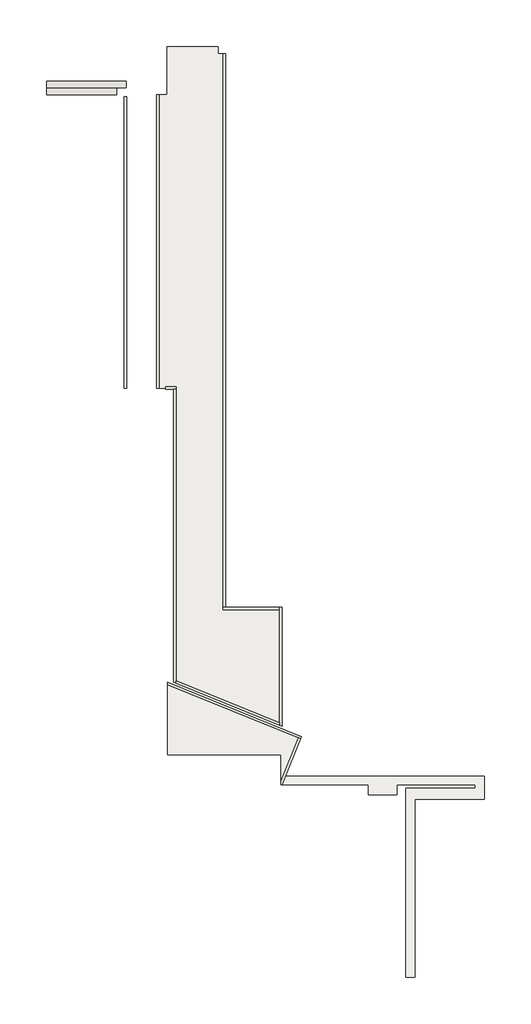
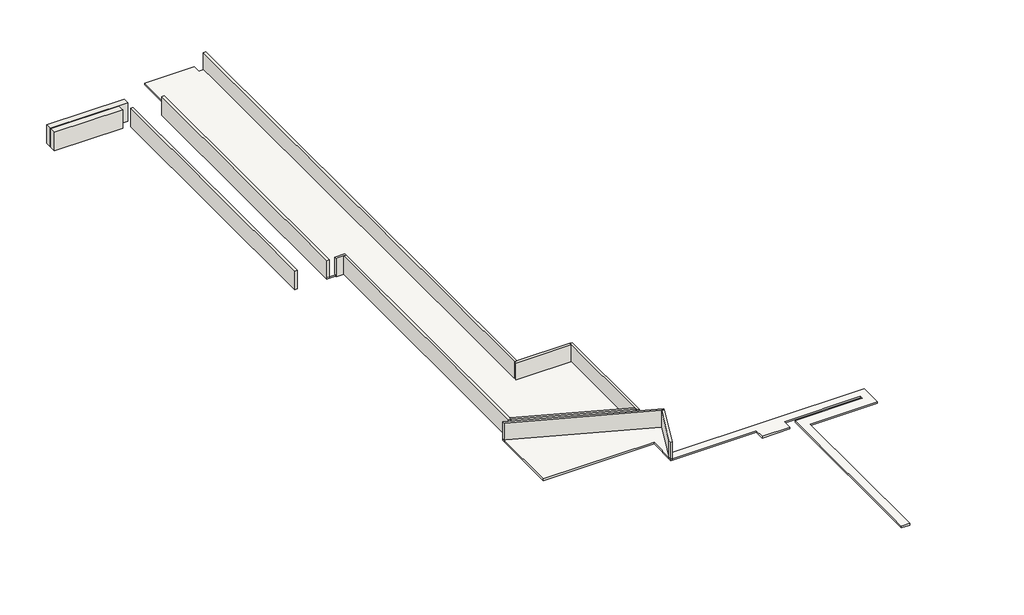
# One storey: 14 walls, 3 coverings.
"""IFC4 building model written with IfcOpenShell, lengths in millimetres."""

from ifc_helpers import new_model, si_unit, frame, origin, place, context, project, spatial, polyline, outline, extrude, faceted_brep, element, save

model = new_model("IFC4")

# Units and contexts
model_context = context("Model", 3, world=origin())
ifc_project = project(units=[si_unit("LENGTHUNIT", "METRE", prefix="MILLI")], contexts=[model_context])

# Site, building, storey
site = spatial("IfcSite", under=ifc_project)
building = spatial("IfcBuilding", under=site)
storey = spatial("IfcBuildingStorey", under=building, Elevation=2300.0)

# Coverings
placement = place(None, origin())
element("IfcCovering", 1, ObjectType="Plain", at=placement, inside=storey, context=model_context, shape_type="SweptSolid", body=[
    extrude(outline(polyline([(-20670.9416288, -6371.0489058), (-20670.9416288, 3153.7992246), (-20370.9416288, 3153.7992246), (-20370.9416288, 4713.7992246), (-18720.9416288, 4713.7992246), (-18720.9416288, 4471.9510942), (-18520.9416288, 4471.9510942), (-18520.9416288, -13520.0440845), (-16679.1800051, -13520.0440845), (-16679.1800051, -17280.0440845), (-20129.1800051, -15886.1536053), (-20129.1800051, -6371.0489058), (-20670.9416288, -6371.0489058)])), frame((0.0, 0.0, 2300.0), z_axis=(0.0, 0.0, 1.0), x_axis=(1.0, 0.0, 0.0)), (0.0, 0.0, 1.0), 57.0),
])
element("IfcCovering", 2, ObjectType="Plain", at=placement, inside=storey, context=model_context, shape_type="SweptSolid", body=[
    extrude(outline(polyline([(-16059.5946837, -17697.0755768), (-16681.4416288, -19236.2007754), (-16681.4416288, -18268.7007754), (-20364.0106474, -18268.7007754), (-20364.0106474, -15957.9786405), (-16059.5946837, -17697.0755768)])), frame((0.0, 0.0, 2300.0), z_axis=(0.0, 0.0, 1.0), x_axis=(1.0, 0.0, 0.0)), (0.0, 0.0, 1.0), 57.0),
])
element("IfcCovering", 3, ObjectType="Plain", at=placement, inside=storey, context=model_context, shape_type="SweptSolid", body=[
    extrude(outline(polyline([(-10079.3000346, -18967.9362009), (-10079.3000346, -19717.9362009), (-12329.3400444, -19717.9362009), (-12329.3400444, -25493.2007754), (-12614.1706866, -25493.2007754), (-12614.1706866, -19360.2007754), (-10371.0616582, -19360.2007754), (-10371.0616582, -19241.0489058), (-12908.1706866, -19241.0489058), (-12908.1706866, -19567.9362009), (-13834.101668, -19567.9362009), (-13834.101668, -19236.2007754), (-16681.4416288, -19236.2007754), (-16557.9721374, -18967.9362009), (-10079.3000346, -18967.9362009)])), frame((0.0, 0.0, 2300.0), z_axis=(0.0, 0.0, 1.0), x_axis=(1.0, 0.0, 0.0)), (0.0, 0.0, 1.0), 57.0),
])

# Walls
element("IfcWall", 4, ObjectType="Interior - 79mm Partition (1-hr)", at=placement, inside=storey, context=model_context, shape_type="Brep", body=[
    faceted_brep([(-21694.5106474, -6371.0489058, 2300.0), (-21694.5106474, 3086.9510942, 2300.0), (-21694.5106474, 3086.9510942, 2950.0), (-21694.5106474, -6371.0489058, 2950.0), (-21773.5106474, -6371.0489058, 2300.0), (-21773.5106474, -6371.0489058, 2950.0), (-21773.5106474, 3086.9510942, 2950.0), (-21773.5106474, 3086.9510942, 2300.0), (-21734.0106474, 3086.9510942, 2950.0)], [[[0, 1, 2, 3]], [[4, 5, 6, 7]], [[1, 0, 4, 7]], [[2, 1, 7, 6, 8]], [[3, 2, 8, 6, 5]], [[0, 3, 5, 4]]]),
])
element("IfcWall", 5, ObjectType="Interior - 79mm Partition (1-hr)", at=placement, inside=storey, context=model_context, shape_type="Brep", body=[
    faceted_brep([(-16639.6800051, -17338.6052427, 2300.0), (-16639.6800051, -13480.5440845, 2300.0), (-16639.6800051, -13480.5440845, 2950.0), (-16639.6800051, -17338.6052427, 2950.0), (-16718.6800051, -17306.6871709, 2300.0), (-16718.6800051, -17306.6871709, 2950.0), (-16718.6800051, -17221.4829262, 2950.0), (-16718.6800051, -13559.5440845, 2950.0), (-16718.6800051, -13480.5440845, 2950.0), (-16718.6800051, -13480.5440845, 2300.0), (-16718.6800051, -13559.5440845, 2300.0), (-16718.6800051, -17221.4829262, 2300.0)], [[[0, 1, 2, 3]], [[4, 5, 6, 7, 8, 9, 10, 11]], [[1, 0, 4, 11, 10, 9]], [[3, 2, 8, 7, 6, 5]], [[2, 1, 9, 8]], [[0, 3, 5, 4]]]),
])
element("IfcWall", 6, ObjectType="Interior - 79mm Partition (1-hr)", at=placement, inside=storey, context=model_context, shape_type="Brep", body=[
    faceted_brep([(-16718.6800051, -13480.5440845, 2300.0), (-18481.4416288, -13480.5440845, 2300.0), (-18560.4416288, -13480.5440845, 2300.0), (-18560.4416288, -13480.5440845, 2950.0), (-18481.4416288, -13480.5440845, 2950.0), (-16718.6800051, -13480.5440845, 2950.0), (-16718.6800051, -13559.5440845, 2300.0), (-16718.6800051, -13559.5440845, 2950.0), (-18560.4416288, -13559.5440845, 2950.0), (-18560.4416288, -13559.5440845, 2300.0)], [[[0, 1, 2, 3, 4, 5]], [[6, 7, 8, 9]], [[2, 1, 0, 6, 9]], [[5, 4, 3, 8, 7]], [[0, 5, 7, 6]], [[3, 2, 9, 8]]]),
])
element("IfcWall", 7, ObjectType="Interior - 79mm Partition (1-hr)", at=placement, inside=storey, context=model_context, shape_type="Brep", body=[
    faceted_brep([(-18481.4416288, -13480.5440845, 2300.0), (-18481.4416288, 4471.9510942, 2300.0), (-18481.4416288, 4471.9510942, 2950.0), (-18481.4416288, -13480.5440845, 2950.0), (-18560.4416288, -13480.5440845, 2300.0), (-18560.4416288, -13480.5440845, 2950.0), (-18560.4416288, 4471.9510942, 2950.0), (-18560.4416288, 4471.9510942, 2300.0), (-18520.9416288, 4471.9510942, 2950.0)], [[[0, 1, 2, 3]], [[4, 5, 6, 7]], [[1, 0, 4, 7]], [[2, 1, 7, 6, 8]], [[3, 2, 8, 6, 5]], [[0, 3, 5, 4]]]),
])
element("IfcWall", 8, ObjectType="Interior - 79mm Partition (1-hr)", at=placement, inside=storey, context=model_context, shape_type="Brep", body=[
    faceted_brep([(-20710.4416288, 3153.7992246, 2300.0), (-20710.4416288, -6371.0489058, 2300.0), (-20710.4416288, -6371.0489058, 2950.0), (-20710.4416288, 3153.7992246, 2950.0), (-20631.4416288, 3153.7992246, 2300.0), (-20631.4416288, 3153.7992246, 2950.0), (-20631.4416288, -6371.0489058, 2950.0), (-20631.4416288, -6371.0489058, 2300.0), (-20670.9416288, 3153.7992246, 2950.0)], [[[0, 1, 2, 3]], [[4, 5, 6, 7]], [[1, 0, 4, 7]], [[3, 2, 6, 5, 8]], [[0, 3, 8, 5, 4]], [[2, 1, 7, 6]]]),
])
element("IfcWall", 9, ObjectType="Interior - 79mm Partition (1-hr)", at=placement, inside=storey, context=model_context, shape_type="Brep", body=[
    faceted_brep([(-20426.0106474, -6410.5489058, 2300.0), (-20364.0106474, -6410.5489058, 2300.0), (-20168.6800051, -6410.5489058, 2300.0), (-20089.6800051, -6410.5489058, 2300.0), (-20089.6800051, -6410.5489058, 2950.0), (-20168.6800051, -6410.5489058, 2950.0), (-20364.0106474, -6410.5489058, 2950.0), (-20426.0106474, -6410.5489058, 2950.0), (-20426.0106474, -6331.5489058, 2300.0), (-20426.0106474, -6331.5489058, 2950.0), (-20089.6800051, -6331.5489058, 2950.0), (-20089.6800051, -6331.5489058, 2300.0), (-20426.0106474, -6371.0489058, 2300.0), (-20426.0106474, -6371.0489058, 2950.0)], [[[0, 1, 2, 3, 4, 5, 6, 7]], [[8, 9, 10, 11]], [[3, 2, 1, 0, 12, 8, 11]], [[7, 6, 5, 4, 10, 9, 13]], [[0, 7, 13, 9, 8, 12]], [[4, 3, 11, 10]]]),
])
element("IfcWall", 10, ObjectType="Interior - 79mm Partition (1-hr)", at=placement, inside=storey, context=model_context, shape_type="Brep", body=[
    faceted_brep([(-20168.6800051, -6410.5489058, 2300.0), (-20168.6800051, -15912.7966917, 2300.0), (-20168.6800051, -15912.7966917, 2950.0), (-20168.6800051, -6410.5489058, 2950.0), (-20089.6800051, -6410.5489058, 2300.0), (-20089.6800051, -6410.5489058, 2950.0), (-20089.6800051, -15859.5105189, 2950.0), (-20089.6800051, -15944.7147636, 2950.0), (-20089.6800051, -15944.7147636, 2300.0), (-20089.6800051, -15859.5105189, 2300.0)], [[[0, 1, 2, 3]], [[4, 5, 6, 7, 8, 9]], [[1, 0, 4, 9, 8]], [[3, 2, 7, 6, 5]], [[0, 3, 5, 4]], [[2, 1, 8, 7]]]),
])
element("IfcWall", 11, ObjectType="Interior - 79mm Partition (1-hr)", at=placement, inside=storey, context=model_context, shape_type="SweptSolid", body=[
    extrude(outline(polyline([(-16718.6800051, -17306.6871709), (-20089.6800051, -15944.7147636), (-20089.6800051, -15859.5105189), (-16718.6800051, -17221.4829262), (-16718.6800051, -17306.6871709)])), frame((0.0, 0.0, 2300.0), z_axis=(0.0, 0.0, 1.0), x_axis=(1.0, 0.0, 0.0)), (0.0, 0.0, 1.0), 650.0),
])
element("IfcWall", 12, ObjectType="Interior - 79mm Partition (1-hr)", at=placement, inside=storey, context=model_context, shape_type="Brep", body=[
    faceted_brep([(-20364.0106474, -16000.5807629, 2300.0), (-16111.0154064, -17718.9023786, 2300.0), (-16037.7678819, -17748.4962995, 2300.0), (-16037.7678819, -17748.4962995, 2950.0), (-16111.0154064, -17718.9023786, 2950.0), (-20364.0106474, -16000.5807629, 2950.0), (-20364.0106474, -15915.3765182, 2300.0), (-20364.0106474, -15915.3765182, 2950.0), (-16008.173961, -17675.248775, 2950.0), (-16008.173961, -17675.248775, 2300.0)], [[[0, 1, 2, 3, 4, 5]], [[6, 7, 8, 9]], [[2, 1, 0, 6, 9]], [[5, 4, 3, 8, 7]], [[0, 5, 7, 6]], [[3, 2, 9, 8]]]),
])
element("IfcWall", 13, ObjectType="Interior - 79mm Partition (1-hr)", at=placement, inside=storey, context=model_context, shape_type="SweptSolid", body=[
    extrude(outline(polyline([(-16681.4416288, -19130.7568224), (-16111.0154064, -17718.9023786), (-16037.7678819, -17748.4962995), (-16638.8395064, -19236.2007754), (-16681.4416288, -19236.2007754), (-16681.4416288, -19130.7568224)])), frame((0.0, 0.0, 2300.0), z_axis=(0.0, 0.0, 1.0), x_axis=(1.0, 0.0, 0.0)), (0.0, 0.0, 1.0), 650.0),
])
element("IfcWall", 14, ObjectType="Interior - Blockwork 190", at=placement, inside=storey, context=model_context, shape_type="Brep", body=[
    faceted_brep([(-24291.4416288, 3149.7992246, 2300.0), (-22018.0106474, 3149.7992246, 2300.0), (-22018.0106474, 3149.7992246, 2950.0), (-24291.4416288, 3149.7992246, 2950.0), (-24291.4416288, 3363.7992246, 2300.0), (-24291.4416288, 3363.7992246, 2950.0), (-22018.0106474, 3363.7992246, 2950.0), (-22018.0106474, 3363.7992246, 2300.0), (-22018.0106474, 3356.7992246, 2950.0), (-22018.0106474, 3156.7992246, 2950.0)], [[[0, 1, 2, 3]], [[4, 5, 6, 7]], [[1, 0, 4, 7]], [[2, 1, 7, 6, 8, 9]], [[3, 2, 9, 8, 6, 5]], [[0, 3, 5, 4]]]),
])
element("IfcWall", 15, ObjectType="Interior - Blockwork 190", at=placement, inside=storey, context=model_context, shape_type="Brep", body=[
    faceted_brep([(-22018.0106474, 3363.7992246, 2300.0), (-24291.4416288, 3363.7992246, 2300.0), (-24291.4416288, 3363.7992246, 2950.0), (-22018.0106474, 3363.7992246, 2950.0), (-22018.0106474, 3149.7992246, 2300.0), (-22018.0106474, 3149.7992246, 2950.0), (-24291.4416288, 3149.7992246, 2950.0), (-24291.4416288, 3149.7992246, 2300.0), (-22018.0106474, 3156.7992246, 2950.0), (-22018.0106474, 3356.7992246, 2950.0)], [[[0, 1, 2, 3]], [[4, 5, 6, 7]], [[1, 0, 4, 7]], [[3, 2, 6, 5, 8, 9]], [[0, 3, 9, 8, 5, 4]], [[2, 1, 7, 6]]]),
])
element("IfcWall", 16, ObjectType="Interior - Blockwork 190", at=placement, inside=storey, context=model_context, shape_type="Brep", body=[
    faceted_brep([(-24291.4416288, 3149.7992246, 2300.0), (-22018.0106474, 3149.7992246, 2300.0), (-22018.0106474, 3149.7992246, 2950.0), (-24291.4416288, 3149.7992246, 2950.0), (-24291.4416288, 3363.7992246, 2300.0), (-24291.4416288, 3363.7992246, 2950.0), (-22018.0106474, 3363.7992246, 2950.0), (-22018.0106474, 3363.7992246, 2300.0), (-22018.0106474, 3356.7992246, 2950.0), (-22018.0106474, 3156.7992246, 2950.0)], [[[0, 1, 2, 3]], [[4, 5, 6, 7]], [[1, 0, 4, 7]], [[2, 1, 7, 6, 8, 9]], [[3, 2, 9, 8, 6, 5]], [[0, 3, 5, 4]]]),
])
element("IfcWall", 17, ObjectType="Interior - Blockwork 190", at=placement, inside=storey, context=model_context, shape_type="SweptSolid", body=[
    extrude(outline(polyline([(-21710.9416288, 3379.9510942), (-24291.4416288, 3379.9510942), (-24291.4416288, 3593.9510942), (-21710.9416288, 3593.9510942), (-21710.9416288, 3379.9510942)])), frame((0.0, 0.0, 2300.0), z_axis=(0.0, 0.0, 1.0), x_axis=(1.0, 0.0, 0.0)), (0.0, 0.0, 1.0), 650.0),
])

save(model, "model.ifc")
